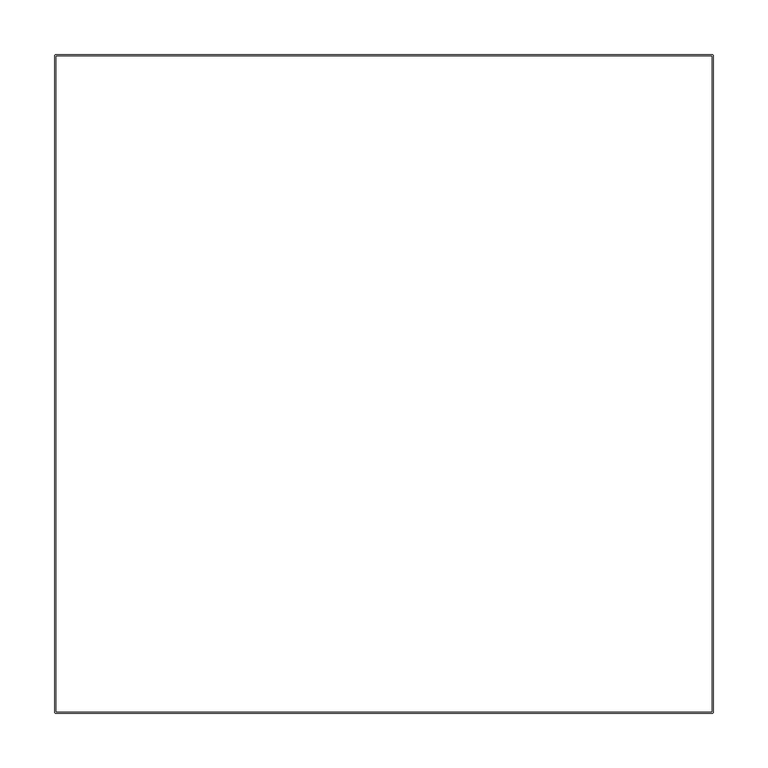
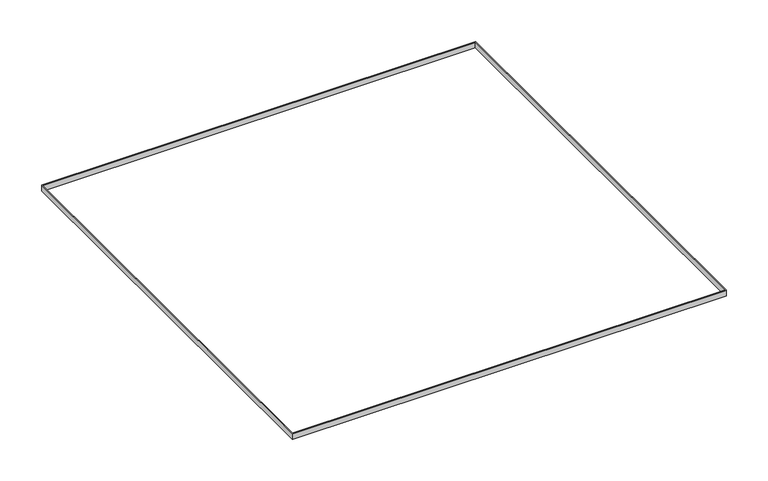
"""IFC4 building model written with IfcOpenShell, lengths in millimetres: proxy geometry."""

from ifc_helpers import new_model, si_unit, origin, origin_with_axes, place, context, project, spatial, polyline, outline, extrude, source, transform, mapped, element, save


def generic_models_2526ad7c(model_context):
    return source(origin(), model_context, "Body", "SweptSolid", [
        extrude(outline(polyline([(-301.5, 300.9549776), (-300.9549776, 301.5), (300.9549776, 301.5), (301.5, 300.9549776), (301.5, -300.9549776), (300.9549776, -301.5), (-300.9549776, -301.5), (-301.5, -300.9549776), (-301.5, 300.9549776)]), holes=[polyline([(-300.0, -300.0), (300.0, -300.0), (300.0, 300.0), (-300.0, 300.0), (-300.0, -300.0)])]), origin_with_axes(), (0.0, 0.0, 1.0), 8.0),
    ])


if __name__ == "__main__":
    model = new_model("IFC4")
    model_context = context("Model", 3, world=origin())
    ifc_project = project(units=[si_unit("LENGTHUNIT", "METRE", prefix="MILLI")], contexts=[model_context])
    site = spatial("IfcSite", under=ifc_project)
    building = spatial("IfcBuilding", under=site)
    placement = place(None, origin())
    generic_models_shape = generic_models_2526ad7c(model_context)
    element("IfcBuildingElementProxy", 1, Name="Generic Models", at=placement, inside=building, context=model_context, shape_type="MappedRepresentation", body=[
        mapped(generic_models_shape, transform((0.0, 0.0, 0.0), x_axis=(1.0, 0.0, 0.0), y_axis=(0.0, 1.0, 0.0), z_axis=(0.0, 0.0, 1.0))),
    ])
    save(model, "model.ifc")
